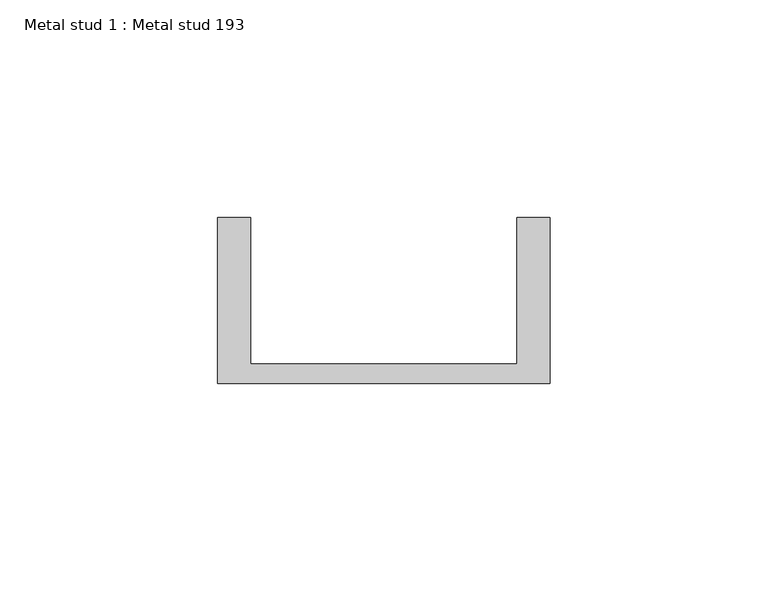
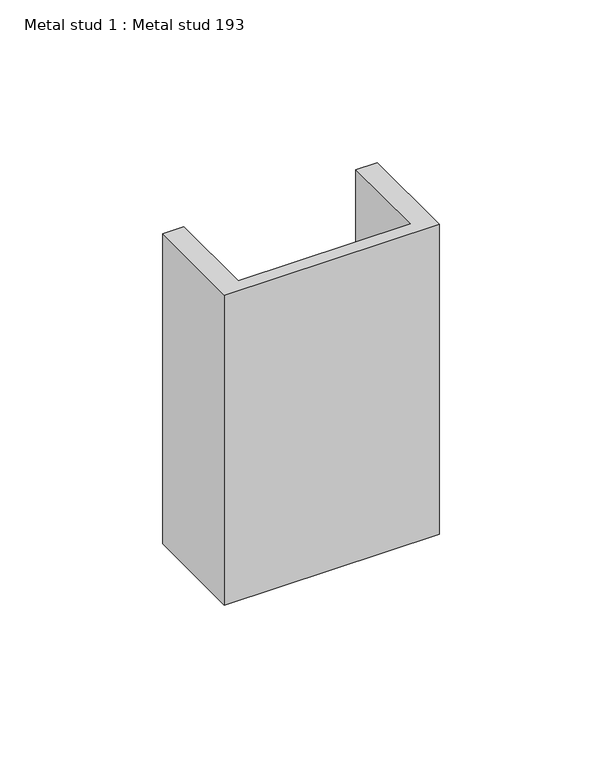
"""IFC4 building model written with IfcOpenShell, lengths in millimetres: proxy geometry, Metal stud 1 : Metal stud 193."""

from ifc_helpers import new_model, si_unit, frame, origin, place, context, project, spatial, polyline, outline, extrude, source, transform, mapped, element, save


def metal_stud_1_metal_stud_193_dcf90ac4(model_context):
    return source(origin(), model_context, "Body", "SweptSolid", [
        extrude(outline(polyline([(37992.6210168, -18951.0529893), (37916.4210168, -18951.0529893), (37916.4210168, -18912.9529893), (37923.9210168, -18912.9529893), (37923.9210168, -18946.5529893), (37985.1210168, -18946.5529893), (37985.1210168, -18912.9529893), (37992.6210168, -18912.9529893), (37992.6210168, -18951.0529893)])), frame((0.0, 0.0, 3058.4661253), z_axis=(0.0, 0.0, 1.0), x_axis=(1.0, 0.0, 0.0)), (0.0, 0.0, 1.0), 116.5407766),
    ])


if __name__ == "__main__":
    model = new_model("IFC4")
    model_context = context("Model", 3, world=origin())
    ifc_project = project(units=[si_unit("LENGTHUNIT", "METRE", prefix="MILLI")], contexts=[model_context])
    site = spatial("IfcSite", under=ifc_project)
    building = spatial("IfcBuilding", under=site)
    placement = place(None, origin())
    metal_stud_1_metal_stud_193_shape = metal_stud_1_metal_stud_193_dcf90ac4(model_context)
    element("IfcBuildingElementProxy", 1, Name="Metal stud 1 : Metal stud 193", ObjectType="Metal stud 1 : Metal stud 193", at=placement, inside=building, context=model_context, shape_type="MappedRepresentation", body=[
        mapped(metal_stud_1_metal_stud_193_shape, transform((0.0, 0.0, 0.0), x_axis=(1.0, 0.0, 0.0), y_axis=(0.0, 1.0, 0.0), z_axis=(0.0, 0.0, 1.0))),
    ])
    save(model, "model.ifc")
